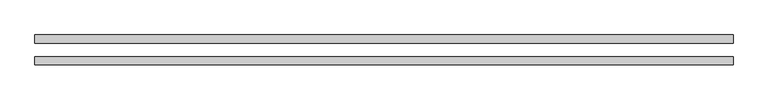
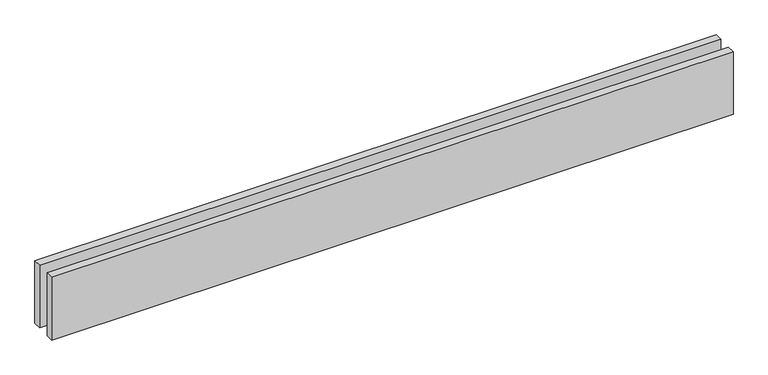
"""IFC4 building model written with IfcOpenShell, lengths in millimetres: proxy geometry."""

from ifc_helpers import new_model, si_unit, origin, origin_with_axes, place, context, project, spatial, polyline, outline, extrude, source, transform, mapped, element, save


def generic_models_b5c555df(model_context):
    return source(origin(), model_context, "Body", "SweptSolid", [
        extrude(outline(polyline([(2565.9314369, 25.0), (0.0, 25.0), (0.0, 55.0), (2565.9314369, 55.0), (2565.9314369, 25.0)])), origin_with_axes(), (0.0, 0.0, 1.0), 250.0),
        extrude(outline(polyline([(2565.9314369, -55.0), (0.0, -55.0), (0.0, -25.0), (2565.9314369, -25.0), (2565.9314369, -55.0)])), origin_with_axes(), (0.0, 0.0, 1.0), 250.0),
    ])


if __name__ == "__main__":
    model = new_model("IFC4")
    model_context = context("Model", 3, world=origin())
    ifc_project = project(units=[si_unit("LENGTHUNIT", "METRE", prefix="MILLI")], contexts=[model_context])
    site = spatial("IfcSite", under=ifc_project)
    building = spatial("IfcBuilding", under=site)
    placement = place(None, origin())
    generic_models_shape = generic_models_b5c555df(model_context)
    element("IfcBuildingElementProxy", 1, Name="Generic Models", at=placement, inside=building, context=model_context, shape_type="MappedRepresentation", body=[
        mapped(generic_models_shape, transform((0.0, 0.0, 0.0), x_axis=(1.0, 0.0, 0.0), y_axis=(0.0, 1.0, 0.0), z_axis=(0.0, 0.0, 1.0))),
    ])
    save(model, "model.ifc")
